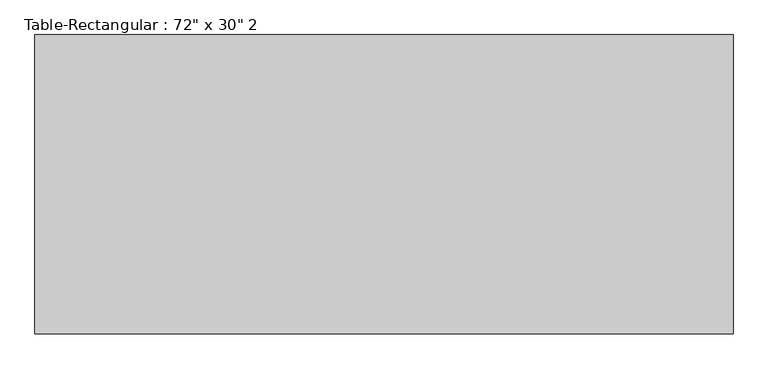
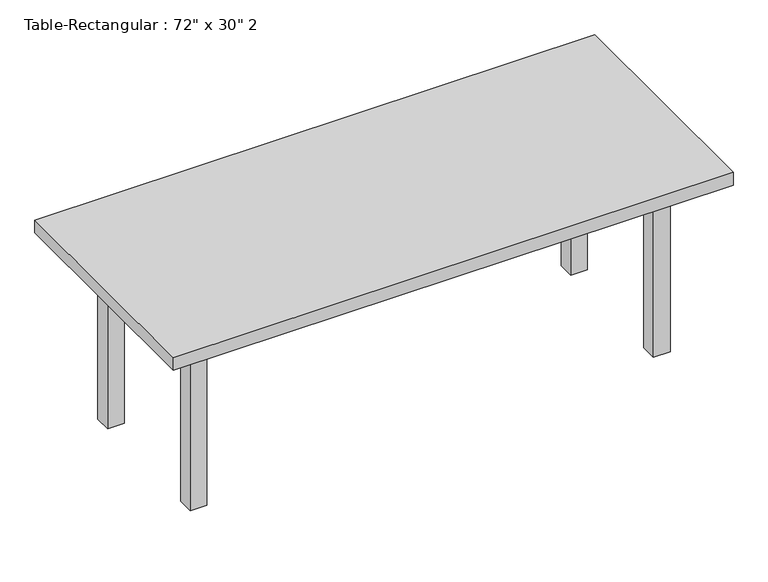
"""IFC4 building model written with IfcOpenShell, lengths in millimetres: furniture geometry."""

from ifc_helpers import new_model, si_unit, frame, origin, origin_with_axes, place, context, project, spatial, polyline, outline, extrude, source, transform, mapped, element, save


def furniture_cf16fd2d(model_context):
    return source(origin(), model_context, "Body", "SweptSolid", [
        extrude(outline(polyline([(850.9, 266.7), (850.9, 241.3), (-850.9, 241.3), (-850.9, 266.7), (850.9, 266.7)])), frame((0.0, 0.0, 609.6), z_axis=(0.0, 0.0, 1.0), x_axis=(1.0, 0.0, 0.0)), (0.0, 0.0, 1.0), 101.6),
        extrude(outline(polyline([(850.9, -266.7), (-850.9, -266.7), (-850.9, -241.3), (850.9, -241.3), (850.9, -266.7)])), frame((0.0, 0.0, 609.6), z_axis=(0.0, 0.0, 1.0), x_axis=(1.0, 0.0, 0.0)), (0.0, 0.0, 1.0), 101.6),
        extrude(outline(polyline([(-863.6, -241.3), (-889.0, -241.3), (-889.0, 241.3), (-863.6, 241.3), (-863.6, -241.3)])), frame((0.0, 0.0, 609.6), z_axis=(0.0, 0.0, 1.0), x_axis=(1.0, 0.0, 0.0)), (0.0, 0.0, 1.0), 101.6),
        extrude(outline(polyline([(863.6, -241.3), (863.6, 241.3), (889.0, 241.3), (889.0, -241.3), (863.6, -241.3)])), frame((0.0, 0.0, 609.6), z_axis=(0.0, 0.0, 1.0), x_axis=(1.0, 0.0, 0.0)), (0.0, 0.0, 1.0), 101.6),
        extrude(outline(polyline([(1066.8, 457.2), (1066.8, -457.2), (-1066.8, -457.2), (-1066.8, 457.2), (1066.8, 457.2)])), frame((0.0, 0.0, 711.2), z_axis=(0.0, 0.0, 1.0), x_axis=(1.0, 0.0, 0.0)), (0.0, 0.0, 1.0), 50.8),
        extrude(outline(polyline([(-850.9, 304.8), (-850.9, 241.3), (-914.4, 241.3), (-914.4, 304.8), (-850.9, 304.8)])), origin_with_axes(), (0.0, 0.0, 1.0), 711.2),
        extrude(outline(polyline([(850.9, 304.8), (914.4, 304.8), (914.4, 241.3), (850.9, 241.3), (850.9, 304.8)])), origin_with_axes(), (0.0, 0.0, 1.0), 711.2),
        extrude(outline(polyline([(-850.9, -304.8), (-914.4, -304.8), (-914.4, -241.3), (-850.9, -241.3), (-850.9, -304.8)])), origin_with_axes(), (0.0, 0.0, 1.0), 711.2),
        extrude(outline(polyline([(850.9, -304.8), (850.9, -241.3), (914.4, -241.3), (914.4, -304.8), (850.9, -304.8)])), origin_with_axes(), (0.0, 0.0, 1.0), 711.2),
    ])


if __name__ == "__main__":
    model = new_model("IFC4")
    model_context = context("Model", 3, world=origin())
    ifc_project = project(units=[si_unit("LENGTHUNIT", "METRE", prefix="MILLI")], contexts=[model_context])
    site = spatial("IfcSite", under=ifc_project)
    building = spatial("IfcBuilding", under=site)
    placement = place(None, origin())
    furniture_shape = furniture_cf16fd2d(model_context)
    element("IfcFurniture", 1, ObjectType="Table-Rectangular : 72\" x 30\" 2", at=placement, inside=building, context=model_context, shape_type="MappedRepresentation", body=[
        mapped(furniture_shape, transform((0.0, 0.0, 0.0), x_axis=(1.0, 0.0, 0.0), y_axis=(0.0, 1.0, 0.0), z_axis=(0.0, 0.0, 1.0))),
    ])
    save(model, "model.ifc")
